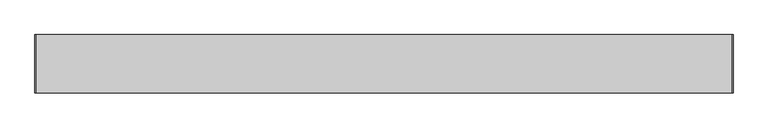
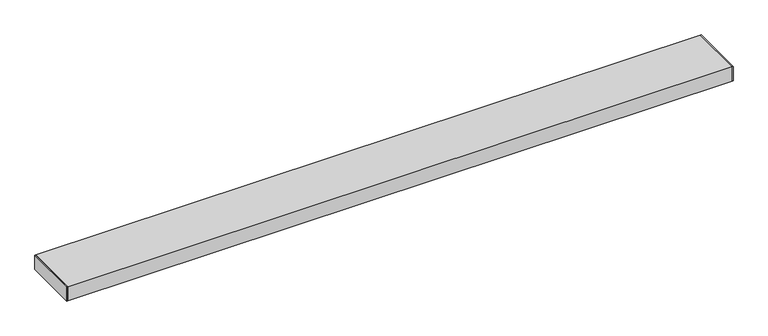
"""IFC4 building model written with IfcOpenShell, lengths in millimetres: proxy geometry."""

from ifc_helpers import new_model, si_unit, frame, origin, origin_with_axes, place, context, project, spatial, polyline, outline, extrude, source, transform, mapped, element, save


def generic_models_e1cf3178(model_context):
    return source(origin(), model_context, "Body", "SweptSolid", [
        extrude(outline(polyline([(0.0, -76.2), (0.0, 76.2), (1.651, 76.2), (1.651, -76.2), (0.0, -76.2)])), origin_with_axes(), (0.0, 0.0, 1.0), 41.28),
        extrude(outline(polyline([(1828.8, -76.2), (1827.149, -76.2), (1827.149, 76.2), (1828.8, 76.2), (1828.8, -76.2)])), origin_with_axes(), (0.0, 0.0, 1.0), 41.28),
        extrude(outline(polyline([(-76.2, 0.0), (-76.2, 41.28), (76.2, 41.28), (76.2, 0.0), (-76.2, 0.0)]), holes=[polyline([(74.25, 1.65), (74.25, 39.63), (-74.25, 39.63), (-74.25, 1.65), (74.25, 1.65)])]), frame((1.651, 0.0, 0.0), z_axis=(1.0, 0.0, 0.0), x_axis=(0.0, 1.0, 0.0)), (0.0, 0.0, 1.0), 1825.498),
    ])


if __name__ == "__main__":
    model = new_model("IFC4")
    model_context = context("Model", 3, world=origin())
    ifc_project = project(units=[si_unit("LENGTHUNIT", "METRE", prefix="MILLI")], contexts=[model_context])
    site = spatial("IfcSite", under=ifc_project)
    building = spatial("IfcBuilding", under=site)
    placement = place(None, origin())
    generic_models_shape = generic_models_e1cf3178(model_context)
    element("IfcBuildingElementProxy", 1, Name="Generic Models", at=placement, inside=building, context=model_context, shape_type="MappedRepresentation", body=[
        mapped(generic_models_shape, transform((0.0, 0.0, 0.0), x_axis=(1.0, 0.0, 0.0), y_axis=(0.0, 1.0, 0.0), z_axis=(0.0, 0.0, 1.0))),
    ])
    save(model, "model.ifc")
